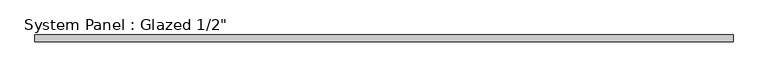
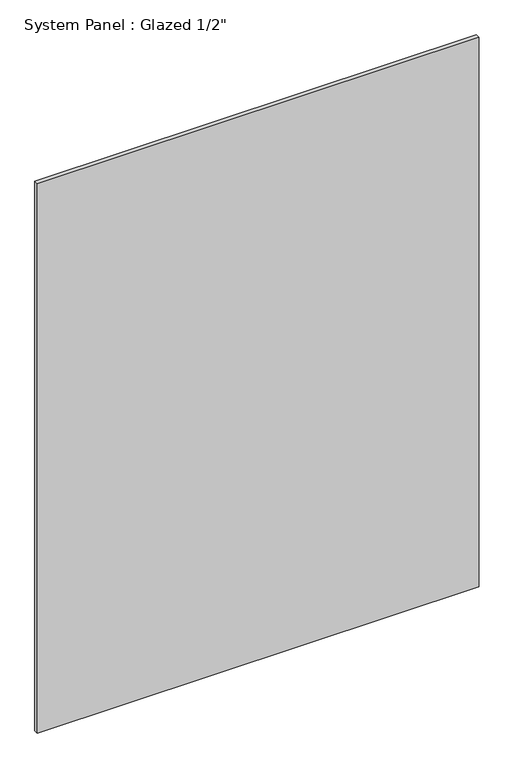
"""IFC4 building model written with IfcOpenShell, lengths in millimetres: plate geometry."""

from ifc_helpers import new_model, si_unit, origin, origin_with_axes, place, context, project, spatial, polyline, outline, extrude, source, transform, mapped, element, save


def plate_4ffd5ff3(model_context):
    return source(origin(), model_context, "Body", "SweptSolid", [
        extrude(outline(polyline([(644.525, -6.35), (-644.525, -6.35), (-644.525, 6.35), (644.525, 6.35), (644.525, -6.35)])), origin_with_axes(), (0.0, 0.0, 1.0), 1694.2157569),
    ])


if __name__ == "__main__":
    model = new_model("IFC4")
    model_context = context("Model", 3, world=origin())
    ifc_project = project(units=[si_unit("LENGTHUNIT", "METRE", prefix="MILLI")], contexts=[model_context])
    site = spatial("IfcSite", under=ifc_project)
    building = spatial("IfcBuilding", under=site)
    placement = place(None, origin())
    plate_shape = plate_4ffd5ff3(model_context)
    element("IfcPlate", 1, ObjectType="System Panel : Glazed 1/2\"", at=placement, inside=building, context=model_context, shape_type="MappedRepresentation", body=[
        mapped(plate_shape, transform((0.0, 0.0, 0.0), x_axis=(1.0, 0.0, 0.0), y_axis=(0.0, 1.0, 0.0), z_axis=(0.0, 0.0, 1.0))),
    ])
    save(model, "model.ifc")
